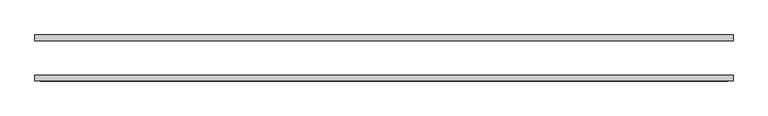
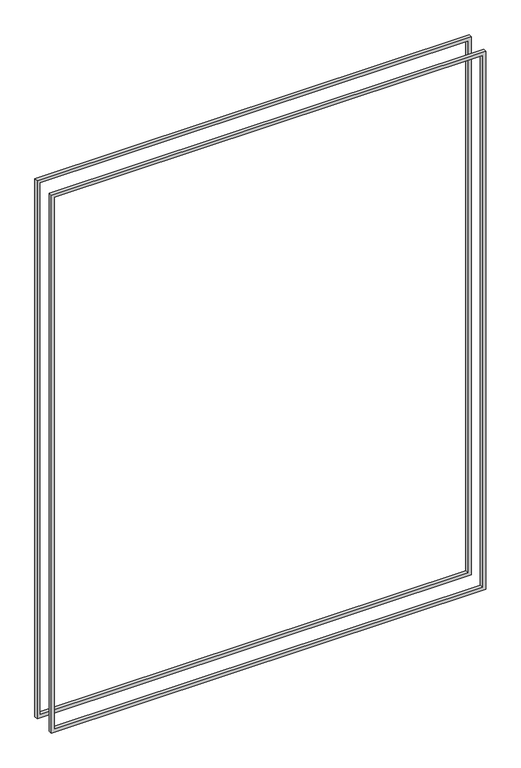
"""IFC4 building model written with IfcOpenShell, lengths in millimetres: proxy geometry."""

import ifcopenshell
import ifcopenshell.guid

model = None  # the IFC model being written
_history = None  # IfcOwnerHistory: only IFC2X3 demands one
_inside = {}  # id of a spatial element -> (the spatial element, [elements in it])
_under = {}  # id of a project, library or spatial element -> (it, [spatial elements below it])
_declared = {}  # id of a project -> (the project, [libraries it declares])
_typed = {}  # id of a type object -> (the type object, [elements of that type])
_made_of = {}  # id of a material, layer set ... -> (it, [elements and type objects made of it])


def new_model(schema):
    """Start an empty IFC model of exactly this schema.

    Asked for "IFC4X3", IfcOpenShell would pick the latest addendum, in which some entities
    have other attributes; the version numbers below select the first issue.
    IFC2X3 requires an IfcOwnerHistory on every rooted entity: one is made here for all.
    """
    global model, _history
    if schema == "IFC4X3":
        model = ifcopenshell.file(schema_version=(4, 3, 0, 0))
    else:
        model = ifcopenshell.file(schema=schema)
    _inside.clear()
    _under.clear()
    _declared.clear()
    _typed.clear()
    _made_of.clear()
    _history = None
    if model.schema == "IFC2X3":
        org = make("IfcOrganization", Name="unknown")
        user = make(
            "IfcPersonAndOrganization",
            ThePerson=make("IfcPerson", FamilyName="unknown"),
            TheOrganization=org,
        )
        app = make(
            "IfcApplication",
            ApplicationDeveloper=org,
            Version="unknown",
            ApplicationFullName="unknown",
            ApplicationIdentifier="unknown",
        )
        _history = make(
            "IfcOwnerHistory",
            OwningUser=user,
            OwningApplication=app,
            ChangeAction="ADDED",
            CreationDate=0,
        )
    return model


def make(cls, **values):
    """One entity of the class cls with the attributes given. An attribute that is None is left unset."""
    return model.create_entity(
        cls, **{name: value for name, value in values.items() if value is not None}
    )


def rooted(cls, **values):
    """An entity with a GlobalId (a new one), such as an element, a storey or a relation."""
    return make(cls, GlobalId=ifcopenshell.guid.new(), OwnerHistory=_history, **values)


def si_unit(unit_type, name, prefix=None):
    """IfcSIUnit, for example si_unit("LENGTHUNIT", "METRE", prefix="MILLI")."""
    return make("IfcSIUnit", UnitType=unit_type, Prefix=prefix, Name=name)


def assignment(units):
    """IfcUnitAssignment: the units of a project."""
    return None if units is None else make("IfcUnitAssignment", Units=units)


def point(xyz):
    """IfcCartesianPoint."""
    return None if xyz is None else make("IfcCartesianPoint", Coordinates=xyz)


def direction(xyz):
    """IfcDirection."""
    return None if xyz is None else make("IfcDirection", DirectionRatios=xyz)


def frame(location, z_axis=None, x_axis=None):
    """IfcAxis2Placement3D, a coordinate frame: its origin and axes. An axis left out is left unset."""
    return make(
        "IfcAxis2Placement3D",
        Location=point(location),
        Axis=direction(z_axis),
        RefDirection=direction(x_axis),
    )


def origin():
    """The frame at (0, 0, 0) with its axes left unset."""
    return frame((0.0, 0.0, 0.0))


def place(relative_to, where):
    """IfcLocalPlacement: puts the frame where relative to a parent placement (None: the world)."""
    return make(
        "IfcLocalPlacement", PlacementRelTo=relative_to, RelativePlacement=where
    )


def context(
    kind, dimensions, precision=None, world=None, true_north=None, identifier=None
):
    """IfcGeometricRepresentationContext, for example the 3D "Model" context."""
    return make(
        "IfcGeometricRepresentationContext",
        ContextIdentifier=identifier,
        ContextType=kind,
        CoordinateSpaceDimension=dimensions,
        Precision=precision,
        WorldCoordinateSystem=world,
        TrueNorth=true_north,
    )


def project(units=None, contexts=None):
    """IfcProject with its units and contexts."""
    return rooted(
        "IfcProject",
        Name="project",
        RepresentationContexts=contexts,
        UnitsInContext=assignment(units),
    )


def spatial(cls, under=None, at=None, **own):
    """A site, building, storey or space (cls), placed at a placement, below another one or the project."""
    s = rooted(cls, ObjectPlacement=at, **own)
    if under is not None:
        _under.setdefault(under.id(), (under, []))[1].append(s)
    return s


def polyline(points):
    """IfcPolyline through the points."""
    return make("IfcPolyline", Points=[point(p) for p in points])


def outline(outer, holes=None, kind="AREA"):
    """IfcArbitraryClosedProfileDef: a profile drawn as a closed curve; with holes, ...WithVoids."""
    if holes is None:
        return make("IfcArbitraryClosedProfileDef", ProfileType=kind, OuterCurve=outer)
    return make(
        "IfcArbitraryProfileDefWithVoids",
        ProfileType=kind,
        OuterCurve=outer,
        InnerCurves=holes,
    )


def extrude(swept, where, along, depth):
    """IfcExtrudedAreaSolid: the profile swept, set in the frame where, extruded along a direction by depth."""
    return make(
        "IfcExtrudedAreaSolid",
        SweptArea=swept,
        Position=where,
        ExtrudedDirection=direction(along),
        Depth=depth,
    )


def shape(context_of_items, identifier, shape_type, items):
    """IfcShapeRepresentation: the items that make up one representation, for example the "Body"."""
    return make(
        "IfcShapeRepresentation",
        ContextOfItems=context_of_items,
        RepresentationIdentifier=identifier,
        RepresentationType=shape_type,
        Items=items,
    )


def source(mapping_origin, context_of_items, identifier, shape_type, items):
    """IfcRepresentationMap: a shape defined once, which mapped items show again and again."""
    return make(
        "IfcRepresentationMap",
        MappingOrigin=mapping_origin,
        MappedRepresentation=shape(context_of_items, identifier, shape_type, items),
    )


def transform(
    local_origin,
    x_axis=None,
    y_axis=None,
    z_axis=None,
    scale=None,
    scale2=None,
    scale3=None,
    uniform=True,
):
    """IfcCartesianTransformationOperator3D, or its non-uniform kind. x_axis, y_axis, z_axis: its Axis1, 2, 3."""
    if uniform:
        return make(
            "IfcCartesianTransformationOperator3D",
            Axis1=direction(x_axis),
            Axis2=direction(y_axis),
            LocalOrigin=point(local_origin),
            Scale=scale,
            Axis3=direction(z_axis),
        )
    return make(
        "IfcCartesianTransformationOperator3DnonUniform",
        Axis1=direction(x_axis),
        Axis2=direction(y_axis),
        LocalOrigin=point(local_origin),
        Scale=scale,
        Axis3=direction(z_axis),
        Scale2=scale2,
        Scale3=scale3,
    )


def mapped(mapping_source, mapping_target):
    """IfcMappedItem: shows the shape of a source again, moved by a transform."""
    return make(
        "IfcMappedItem", MappingSource=mapping_source, MappingTarget=mapping_target
    )


def made_of(thing, what):
    """Note that an element or type object is made of a material, layer set ...; save() writes the relation."""
    if what is not None:
        _made_of.setdefault(what.id(), (what, []))[1].append(thing)
    return thing


def element(
    cls,
    number,
    at=None,
    inside=None,
    cuts=None,
    type_object=None,
    material=None,
    context=None,
    identifier="Body",
    shape_type=None,
    held_by="IfcProductDefinitionShape",
    body=None,
    shapes=None,
    **own,
):
    """One element of the class cls, such as IfcWall. Its Tag is "e" and its number.

    at: its placement. inside: the storey or other place that contains it. cuts: it is an
    opening in that element (IfcRelVoidsElement). A single representation is given by context,
    identifier, shape_type and body (its items); several are given by shapes. held_by: the class
    of the entity that holds the representations. save() writes the other relations.
    """
    e = rooted(cls, Tag="e%d" % number, ObjectPlacement=at, **own)
    if body is not None:
        shapes = [shape(context, identifier, shape_type, body)]
    if shapes is not None:
        e.Representation = make(held_by, Representations=shapes)
    if inside is not None:
        _inside.setdefault(inside.id(), (inside, []))[1].append(e)
    if cuts is not None:
        rooted(
            "IfcRelVoidsElement", RelatingBuildingElement=cuts, RelatedOpeningElement=e
        )
    if type_object is not None:
        _typed.setdefault(type_object.id(), (type_object, []))[1].append(e)
    return made_of(e, material)


def aggregate(whole, parts):
    """IfcRelAggregates: a whole, such as a stair, and the parts it consists of."""
    return rooted("IfcRelAggregates", RelatingObject=whole, RelatedObjects=parts)


def save(model, path):
    """Write the relations noted so far, then the file.

    IfcRelAggregates (storeys below a building ...), IfcRelContainedInSpatialStructure (elements
    in a storey), IfcRelDefinesByType, IfcRelAssociatesMaterial and IfcRelDeclares: one each for
    every whole, place, type object, material and project.
    """
    for whole, parts in _under.values():
        aggregate(whole, parts)
    for where, things in _inside.values():
        rooted(
            "IfcRelContainedInSpatialStructure",
            RelatedElements=things,
            RelatingStructure=where,
        )
    for kind, things in _typed.values():
        rooted("IfcRelDefinesByType", RelatedObjects=things, RelatingType=kind)
    for what, things in _made_of.values():
        rooted("IfcRelAssociatesMaterial", RelatedObjects=things, RelatingMaterial=what)
    for by, libraries in _declared.values():
        rooted("IfcRelDeclares", RelatingContext=by, RelatedDefinitions=libraries)
    model.write(path)


def generic_models_ff5c2740(model_context):
    return source(origin(), model_context, "Body", "SweptSolid", [
        extrude(outline(polyline([(2392.3625, -649.2875), (26.9875, -649.2875), (26.9875, 1157.2875), (2392.3625, 1157.2875), (2392.3625, -649.2875)]), holes=[polyline([(2378.075, 1143.0), (41.275, 1143.0), (41.275, -635.0), (2378.075, -635.0), (2378.075, 1143.0)])]), frame((0.0, -59.53125, 0.0), z_axis=(0.0, 1.0, 0.0), x_axis=(0.0, 0.0, 1.0)), (0.0, 0.0, 1.0), 15.08125),
        extrude(outline(polyline([(26.9875, 1157.2875), (2392.3625, 1157.2875), (2392.3625, -649.2875), (26.9875, -649.2875), (26.9875, 1157.2875)]), holes=[polyline([(41.275, -635.0), (2378.075, -635.0), (2378.075, 1143.0), (41.275, 1143.0), (41.275, -635.0)])]), frame((0.0, 44.45, 0.0), z_axis=(0.0, 1.0, 0.0), x_axis=(0.0, 0.0, 1.0)), (0.0, 0.0, 1.0), 15.08125),
    ])


if __name__ == "__main__":
    model = new_model("IFC4")
    model_context = context("Model", 3, world=origin())
    ifc_project = project(units=[si_unit("LENGTHUNIT", "METRE", prefix="MILLI")], contexts=[model_context])
    site = spatial("IfcSite", under=ifc_project)
    building = spatial("IfcBuilding", under=site)
    placement = place(None, origin())
    generic_models_shape = generic_models_ff5c2740(model_context)
    element("IfcBuildingElementProxy", 1, Name="Generic Models", at=placement, inside=building, context=model_context, shape_type="MappedRepresentation", body=[
        mapped(generic_models_shape, transform((0.0, 0.0, 0.0), x_axis=(1.0, 0.0, 0.0), y_axis=(0.0, 1.0, 0.0), z_axis=(0.0, 0.0, 1.0))),
    ])
    save(model, "model.ifc")
